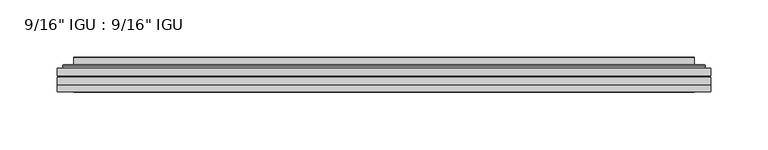
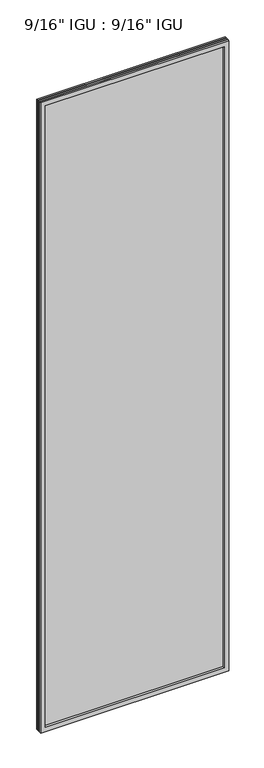
"""IFC4 building model written with IfcOpenShell, lengths in millimetres: plate geometry."""

from ifc_helpers import new_model, si_unit, frame, origin, place, context, project, spatial, polyline, ellipse_curve, outline, extrude, faceted_brep, source, transform, mapped, element, save
from ifc_brep_helpers import plane_surface, cylinder_surface, advanced_brep


def plate_ebe38fa5(model_context):
    return source(origin(), model_context, "Body", "SolidModel", [
        extrude(outline(polyline([(285.764175, -54.78145), (285.764175, -61.1317818), (-285.75, -61.1317818), (-285.75, -54.78145), (285.764175, -54.78145)])), frame((0.0, 0.0, -14.2875), z_axis=(0.0, 0.0, 1.0), x_axis=(1.0, 0.0, 0.0)), (0.0, 0.0, 1.0), 2022.4787979),
        extrude(outline(polyline([(-285.75, -69.05625), (-285.75, -62.705745), (285.764175, -62.705745), (285.764175, -69.05625), (-285.75, -69.05625)])), frame((0.0, 0.0, -14.2875), z_axis=(0.0, 0.0, 1.0), x_axis=(1.0, 0.0, 0.0)), (0.0, 0.0, 1.0), 2022.4787979),
        faceted_brep([(-285.7627, -75.40625, 2008.2002), (-285.7627, -69.05625, 2008.2002), (-285.7627, -69.05625, -14.3002), (-285.7627, -75.40625, -14.3002), (285.7627, -69.05625, -14.3002), (285.7627, -75.40625, -14.3002), (285.7627, -69.05625, 2008.2002), (285.7627, -75.40625, 2008.2002), (-270.5647559, -69.05625, 0.8977441), (270.5647559, -69.05625, 0.8977441), (270.5647559, -69.05625, 1993.0022559), (-270.5647559, -69.05625, 1993.0022559), (-271.4571902, -75.40625, 1993.8946902), (271.4571902, -75.40625, 1993.8946902), (271.4571902, -75.40625, 0.0053098), (-271.4571902, -75.40625, 0.0053098)], [[[0, 1, 2, 3]], [[3, 2, 4, 5]], [[5, 4, 6, 7]], [[1, 6, 4, 2], [8, 9, 10, 11]], [[7, 6, 1, 0]], [[3, 5, 7, 0], [12, 13, 14, 15]], [[11, 12, 15, 8]], [[8, 15, 14, 9]], [[9, 14, 13, 10]], [[10, 13, 12, 11]]]),
        advanced_brep(
        [(-278.508719, -54.78145, 2000.946219), (-280.8629244, -52.7917833, 2003.3004244), (-280.8629244, -52.7917833, -9.4004244), (-278.508719, -54.78145, -7.046219), (-269.4343939, -50.941413, 1991.8718939), (-264.4995621, -54.78145, 1986.9370621), (-264.4995621, -54.78145, 6.9629379), (-269.4343939, -50.941413, 2.0281061), (-270.4664217, -45.5441819, 1992.9039217), (-270.4664217, -45.5441819, 0.9960783), (-271.4570784, -45.1452069, 1993.8945784), (-271.4570784, -45.1452069, 0.0054216), (-271.4570784, -51.60645, 1993.8945784), (-271.4570784, -51.60645, 0.0054216), (-279.8611349, -51.60645, 2002.2986349), (-279.8611349, -51.60645, -8.3986349), (280.8629244, -52.7917833, -9.4004244), (278.508719, -54.78145, -7.046219), (264.4995621, -54.78145, 6.9629379), (269.4343939, -50.941413, 2.0281061), (270.4664217, -45.5441819, 0.9960783), (271.4570784, -45.1452069, 0.0054216), (271.4570784, -51.60645, 0.0054216), (279.8611349, -51.60645, -8.3986349), (280.8629244, -52.7917833, 2003.3004244), (278.508719, -54.78145, 2000.946219), (264.4995621, -54.78145, 1986.9370621), (269.4343939, -50.941413, 1991.8718939), (270.4664217, -45.5441819, 1992.9039217), (271.4570784, -45.1452069, 1993.8945784), (271.4570784, -51.60645, 1993.8945784), (279.8611349, -51.60645, 2002.2986349)],
        [
            (0, 1, ellipse_curve(frame((-278.508719, -52.39385, 2000.946219), z_axis=(-0.7071067811865475, 0.0, -0.7071067811865475), x_axis=(-0.7071067811865474, 0.0, 0.7071067811865476)), 3.3765763, 2.3876)),
            (1, 2),
            (2, 3, ellipse_curve(frame((-278.508719, -52.39385, -7.046219), z_axis=(-0.7071067811865475, 0.0, 0.7071067811865475), x_axis=(0.7071067811865474, 0.0, 0.7071067811865476)), 3.3765763, 2.3876)),
            (3, 0),
            (4, 5),
            (5, 6),
            (6, 7),
            (7, 4),
            (8, 4),
            (7, 9),
            (9, 8),
            (10, 8, ellipse_curve(frame((-271.0901219, -45.6634423, 1993.5276219), z_axis=(-0.7071067811865475, 0.0, -0.7071067811865475), x_axis=(-0.7071067811865474, 0.0, 0.7071067811865476)), 0.8980256, 0.635)),
            (9, 11, ellipse_curve(frame((-271.0901219, -45.6634423, 0.3723781), z_axis=(-0.7071067811865475, 0.0, 0.7071067811865475), x_axis=(0.7071067811865474, 0.0, 0.7071067811865476)), 0.8980256, 0.635)),
            (11, 10),
            (12, 10),
            (11, 13),
            (13, 12),
            (1, 14, ellipse_curve(frame((-279.8611349, -52.62245, 2002.2986349), z_axis=(-0.7071067811865475, 0.0, -0.7071067811865475), x_axis=(-0.7071067811865474, 0.0, 0.7071067811865476)), 1.436841, 1.016)),
            (14, 15),
            (15, 2, ellipse_curve(frame((-279.8611349, -52.62245, -8.3986349), z_axis=(-0.7071067811865475, 0.0, 0.7071067811865475), x_axis=(0.7071067811865474, 0.0, 0.7071067811865476)), 1.436841, 1.016)),
            (2, 16),
            (16, 17, ellipse_curve(frame((278.508719, -52.39385, -7.046219), z_axis=(-0.7071067811865475, 0.0, -0.7071067811865475), x_axis=(-0.7071067811865476, 0.0, 0.7071067811865474)), 3.3765763, 2.3876)),
            (17, 3),
            (6, 18),
            (18, 19),
            (19, 7),
            (19, 20),
            (20, 9),
            (20, 21, ellipse_curve(frame((271.0901219, -45.6634423, 0.3723781), z_axis=(-0.7071067811865475, 0.0, -0.7071067811865475), x_axis=(-0.7071067811865476, 0.0, 0.7071067811865474)), 0.8980256, 0.635)),
            (21, 11),
            (21, 22),
            (22, 13),
            (15, 23),
            (23, 16, ellipse_curve(frame((279.8611349, -52.62245, -8.3986349), z_axis=(-0.7071067811865475, 0.0, -0.7071067811865475), x_axis=(-0.7071067811865476, 0.0, 0.7071067811865474)), 1.436841, 1.016)),
            (16, 24),
            (24, 25, ellipse_curve(frame((278.508719, -52.39385, 2000.946219), z_axis=(0.7071067811865475, 0.0, -0.7071067811865475), x_axis=(-0.7071067811865474, 0.0, -0.7071067811865476)), 3.3765763, 2.3876)),
            (25, 17),
            (18, 26),
            (26, 27),
            (27, 19),
            (27, 28),
            (28, 20),
            (28, 29, ellipse_curve(frame((271.0901219, -45.6634423, 1993.5276219), z_axis=(0.7071067811865475, 0.0, -0.7071067811865475), x_axis=(-0.7071067811865474, 0.0, -0.7071067811865476)), 0.8980256, 0.635)),
            (29, 21),
            (29, 30),
            (30, 22),
            (23, 31),
            (31, 24, ellipse_curve(frame((279.8611349, -52.62245, 2002.2986349), z_axis=(0.7071067811865475, 0.0, -0.7071067811865475), x_axis=(-0.7071067811865474, 0.0, -0.7071067811865476)), 1.436841, 1.016)),
            (24, 1),
            (0, 25),
            (5, 26),
            (4, 27),
            (8, 28),
            (10, 29),
            (12, 30),
            (14, 31),
        ],
        [
            cylinder_surface(frame((-278.508719, -52.39385, 2025.65), z_axis=(0.0, 0.0, 1.0), x_axis=(-1.0, 0.0, 0.0)), 2.3876),
            plane_surface(frame((-264.4995621, -54.78145, 1986.9370621), z_axis=(0.6141233906514794, 0.7892100234124821, 0.0), x_axis=(0.0, 0.0, -1.0))),
            plane_surface(frame((-269.4343939, -50.941413, 1991.8718939), z_axis=(0.9822050625507728, 0.18781164793386085, 0.0), x_axis=(0.0, 0.0, -1.0))),
            cylinder_surface(frame((-271.0901219, -45.6634423, 2025.65), z_axis=(0.0, 0.0, 1.0), x_axis=(-1.0, 0.0, 0.0)), 0.635),
            plane_surface(frame((-271.4570784, -45.1452069, 1993.8945784), z_axis=(-1.0, 0.0, 0.0), x_axis=(0.0, 0.0, -1.0))),
            cylinder_surface(frame((-279.8611349, -52.62245, 2025.65), z_axis=(0.0, 0.0, 1.0), x_axis=(-1.0, 0.0, 0.0)), 1.016),
            cylinder_surface(frame((-303.2125, -52.39385, -7.046219), z_axis=(-1.0, 0.0, 0.0), x_axis=(0.0, 0.0, -1.0)), 2.3876),
            plane_surface(frame((-264.4995621, -54.78145, 6.9629379), z_axis=(0.0, 0.7892100234124841, 0.6141233906514768), x_axis=(1.0, 0.0, 0.0))),
            plane_surface(frame((-269.4343939, -50.941413, 2.0281061), z_axis=(0.0, 0.18781164793386404, 0.9822050625507722), x_axis=(1.0, 0.0, 0.0))),
            cylinder_surface(frame((-303.2125, -45.6634423, 0.3723781), z_axis=(-1.0, 0.0, 0.0), x_axis=(0.0, 0.0, -1.0)), 0.635),
            plane_surface(frame((-271.4570784, -45.1452069, 0.0054216), z_axis=(0.0, 0.0, -1.0), x_axis=(1.0, 0.0, 0.0))),
            cylinder_surface(frame((-303.2125, -52.62245, -8.3986349), z_axis=(-1.0, 0.0, 0.0), x_axis=(0.0, 0.0, -1.0)), 1.016),
            cylinder_surface(frame((278.508719, -52.39385, -31.75), z_axis=(0.0, 0.0, -1.0), x_axis=(1.0, 0.0, 0.0)), 2.3876),
            plane_surface(frame((264.4995621, -54.78145, 6.9629379), z_axis=(-0.6141233906514743, 0.7892100234124861, 0.0), x_axis=(0.0, 0.0, 1.0))),
            plane_surface(frame((269.4343939, -50.941413, 2.0281061), z_axis=(-0.9822050625507717, 0.18781164793386723, 0.0), x_axis=(0.0, 0.0, 1.0))),
            cylinder_surface(frame((271.0901219, -45.6634423, -31.75), z_axis=(0.0, 0.0, -1.0), x_axis=(1.0, 0.0, 0.0)), 0.635),
            plane_surface(frame((271.4570784, -45.1452069, 0.0054216), z_axis=(1.0, 0.0, 0.0), x_axis=(0.0, 0.0, 1.0))),
            cylinder_surface(frame((279.8611349, -52.62245, -31.75), z_axis=(0.0, 0.0, -1.0), x_axis=(1.0, 0.0, 0.0)), 1.016),
            cylinder_surface(frame((303.2125, -52.39385, 2000.946219), z_axis=(1.0, 0.0, 0.0), x_axis=(0.0, 0.0, 1.0)), 2.3876),
            plane_surface(frame((278.508719, -54.78145, 2000.946219), z_axis=(0.0, -1.0, 0.0), x_axis=(-1.0, 0.0, 0.0))),
            plane_surface(frame((264.4995621, -54.78145, 1986.9370621), z_axis=(0.0, 0.7892100234124841, -0.6141233906514768), x_axis=(-1.0, 0.0, 0.0))),
            plane_surface(frame((269.4343939, -50.941413, 1991.8718939), z_axis=(0.0, 0.18781164793386404, -0.9822050625507722), x_axis=(-1.0, 0.0, 0.0))),
            cylinder_surface(frame((303.2125, -45.6634423, 1993.5276219), z_axis=(1.0, 0.0, 0.0), x_axis=(0.0, 0.0, 1.0)), 0.635),
            plane_surface(frame((271.4570784, -45.1452069, 1993.8945784), z_axis=(0.0, 0.0, 1.0), x_axis=(-1.0, 0.0, 0.0))),
            plane_surface(frame((271.4570784, -51.60645, 1993.8945784), z_axis=(0.0, 1.0, 0.0), x_axis=(-1.0, 0.0, 0.0))),
            cylinder_surface(frame((303.2125, -52.62245, 2002.2986349), z_axis=(1.0, 0.0, 0.0), x_axis=(0.0, 0.0, 1.0)), 1.016),
        ],
        [
            (0, [[1, 2, 3, 4]]),
            (1, [[5, 6, 7, 8]]),
            (2, [[9, -8, 10, 11]]),
            (3, [[12, -11, 13, 14]]),
            (4, [[15, -14, 16, 17]]),
            (5, [[18, 19, 20, -2]]),
            (6, [[-3, 21, 22, 23]]),
            (7, [[-7, 24, 25, 26]]),
            (8, [[-10, -26, 27, 28]]),
            (9, [[-13, -28, 29, 30]]),
            (10, [[-16, -30, 31, 32]]),
            (11, [[-20, 33, 34, -21]]),
            (12, [[-22, 35, 36, 37]]),
            (13, [[-25, 38, 39, 40]]),
            (14, [[-27, -40, 41, 42]]),
            (15, [[-29, -42, 43, 44]]),
            (16, [[-31, -44, 45, 46]]),
            (17, [[-34, 47, 48, -35]]),
            (18, [[-36, 49, -1, 50]]),
            (19, [[-23, -37, -50, -4], [51, -38, -24, -6]]),
            (20, [[-39, -51, -5, 52]]),
            (21, [[-41, -52, -9, 53]]),
            (22, [[-43, -53, -12, 54]]),
            (23, [[-45, -54, -15, 55]]),
            (24, [[56, -47, -33, -19], [-32, -46, -55, -17]]),
            (25, [[-48, -56, -18, -49]]),
        ],
    ),
    ])


if __name__ == "__main__":
    model = new_model("IFC4")
    model_context = context("Model", 3, world=origin())
    ifc_project = project(units=[si_unit("LENGTHUNIT", "METRE", prefix="MILLI")], contexts=[model_context])
    site = spatial("IfcSite", under=ifc_project)
    building = spatial("IfcBuilding", under=site)
    placement = place(None, origin())
    plate_shape = plate_ebe38fa5(model_context)
    element("IfcPlate", 1, ObjectType="9/16\" IGU : 9/16\" IGU", at=placement, inside=building, context=model_context, shape_type="MappedRepresentation", body=[
        mapped(plate_shape, transform((0.0, 0.0, 0.0), x_axis=(1.0, 0.0, 0.0), y_axis=(0.0, 1.0, 0.0), z_axis=(0.0, 0.0, 1.0))),
    ])
    save(model, "model.ifc")
